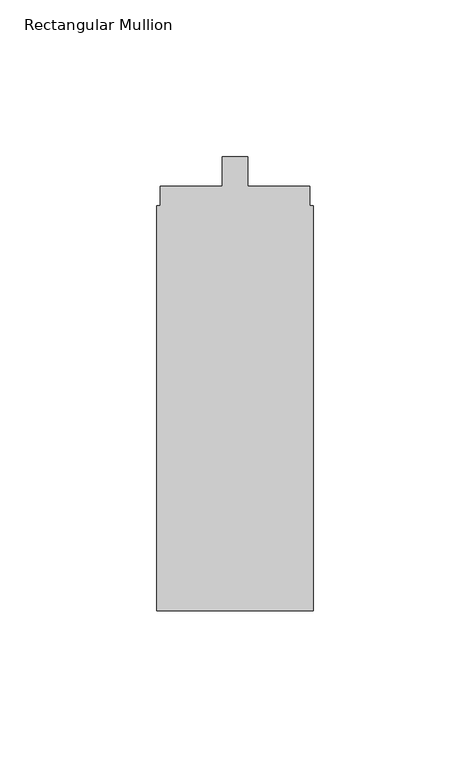
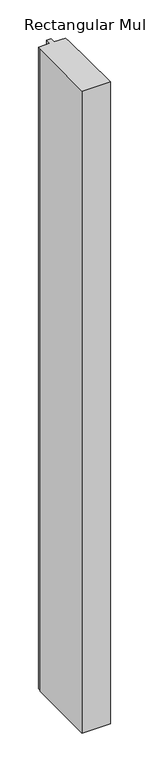
"""IFC4 building model written with IfcOpenShell, lengths in millimetres: member geometry, Rectangular Mullion."""

from ifc_helpers import new_model, si_unit, frame, origin, place, context, project, spatial, polyline, outline, extrude, source, transform, mapped, element, save


def rectangular_mullion_9b93a7e6(model_context):
    return source(origin(), model_context, "Body", "SweptSolid", [
        extrude(outline(polyline([(0.0, -161.3), (-50.0, -161.3), (-50.0, -32.0), (-48.9, -32.0), (-48.9, -25.8), (-29.1, -25.8), (-29.1, -16.3), (-20.9, -16.3), (-20.9, -25.8), (-1.1782663, -25.8), (-1.1782663, -32.0), (0.0, -32.0), (0.0, -161.3)])), frame((0.0, 0.0, -1200.0), z_axis=(0.0, 0.0, 1.0), x_axis=(1.0, 0.0, 0.0)), (0.0, 0.0, 1.0), 1200.0),
    ])


if __name__ == "__main__":
    model = new_model("IFC4")
    model_context = context("Model", 3, world=origin())
    ifc_project = project(units=[si_unit("LENGTHUNIT", "METRE", prefix="MILLI")], contexts=[model_context])
    site = spatial("IfcSite", under=ifc_project)
    building = spatial("IfcBuilding", under=site)
    placement = place(None, origin())
    rectangular_mullion_shape = rectangular_mullion_9b93a7e6(model_context)
    element("IfcMember", 1, ObjectType="Rectangular Mullion", at=placement, inside=building, context=model_context, shape_type="MappedRepresentation", body=[
        mapped(rectangular_mullion_shape, transform((0.0, 0.0, 0.0), x_axis=(1.0, 0.0, 0.0), y_axis=(0.0, 1.0, 0.0), z_axis=(0.0, 0.0, 1.0))),
    ])
    save(model, "model.ifc")
